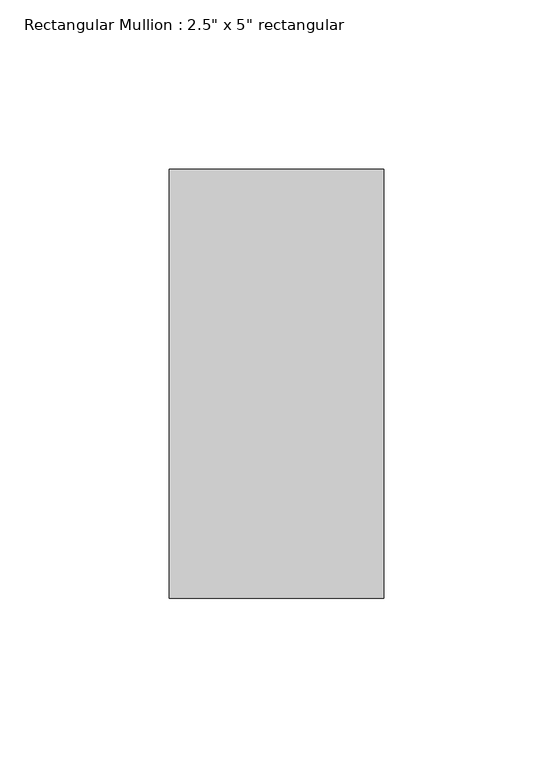
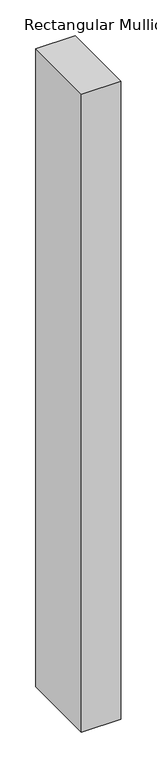
"""IFC4 building model written with IfcOpenShell, lengths in millimetres: member geometry."""

from ifc_helpers import new_model, si_unit, frame, origin, place, context, project, spatial, polyline, outline, extrude, source, transform, mapped, element, save


def member_f532970f(model_context):
    return source(origin(), model_context, "Body", "SweptSolid", [
        extrude(outline(polyline([(0.0, 63.5), (0.0, -63.5), (-63.5, -63.5), (-63.5, 63.5), (0.0, 63.5)])), frame((0.0, 0.0, -1084.5800002), z_axis=(0.0, 0.0, 1.0), x_axis=(1.0, 0.0, 0.0)), (0.0, 0.0, 1.0), 1084.5800002),
    ])


if __name__ == "__main__":
    model = new_model("IFC4")
    model_context = context("Model", 3, world=origin())
    ifc_project = project(units=[si_unit("LENGTHUNIT", "METRE", prefix="MILLI")], contexts=[model_context])
    site = spatial("IfcSite", under=ifc_project)
    building = spatial("IfcBuilding", under=site)
    placement = place(None, origin())
    member_shape = member_f532970f(model_context)
    element("IfcMember", 1, ObjectType="Rectangular Mullion : 2.5\" x 5\" rectangular", at=placement, inside=building, context=model_context, shape_type="MappedRepresentation", body=[
        mapped(member_shape, transform((0.0, 0.0, 0.0), x_axis=(1.0, 0.0, 0.0), y_axis=(0.0, 1.0, 0.0), z_axis=(0.0, 0.0, 1.0))),
    ])
    save(model, "model.ifc")
